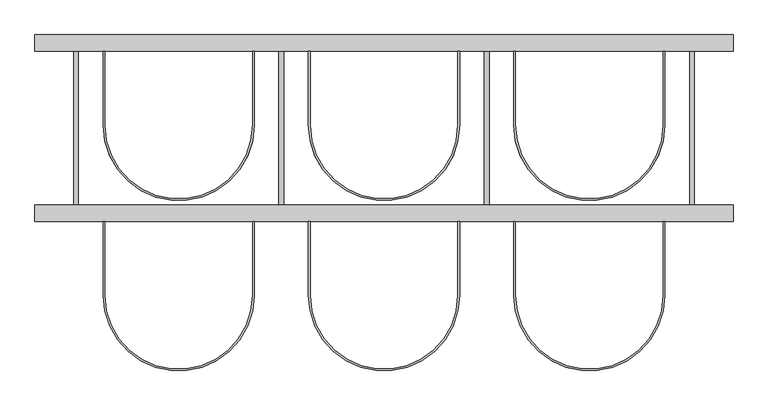
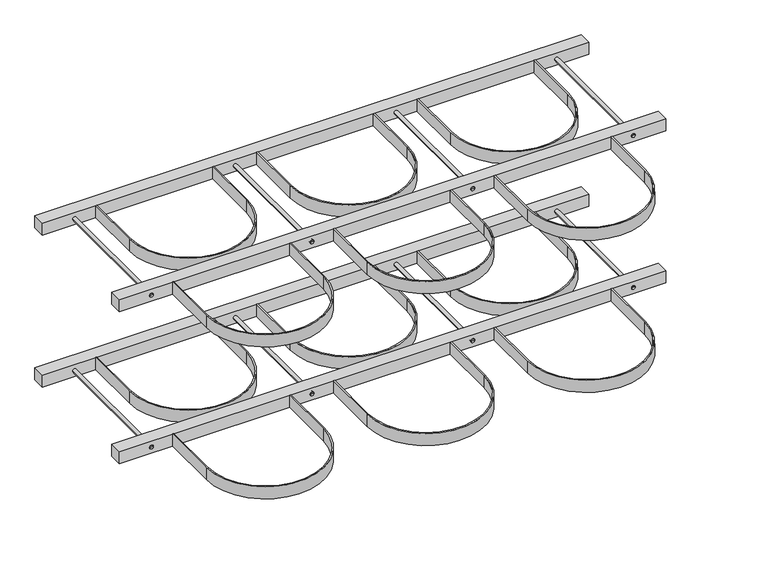
"""IFC4 building model written with IfcOpenShell, lengths in millimetres: proxy geometry."""

from ifc_helpers import new_model, si_unit, point, frame, frame_2d, origin, origin_2d, place, context, project, spatial, polyline, circle_curve, trimmed, segment, composite_curve, outline, extrude, source, transform, mapped, element, save
from ifc_brep_helpers import plane_surface, cylinder_surface, advanced_brep


def specialty_equipment_7dd5eb08(model_context):
    return source(origin(), model_context, "Body", "SolidModel", [
        extrude(outline(composite_curve([segment(polyline([(820.0, -235.0), (820.0, -415.0)]), True, "CONTINUOUS"), segment(trimmed(circle_curve(frame_2d((1000.0, -415.0)), 180.0), [point((820.0, -415.0))], [point((1180.0, -415.0))], True, "CARTESIAN"), True, "CONTINUOUS"), segment(polyline([(1180.0, -415.0), (1180.0, -235.0), (1184.0, -235.0), (1184.0, -415.0)]), True, "CONTINUOUS"), segment(trimmed(circle_curve(frame_2d((1000.0, -415.0)), 184.0), [point((1184.0, -415.0))], [point((816.0, -415.0))], False, "CARTESIAN"), True, "CONTINUOUS"), segment(polyline([(816.0, -415.0), (816.0, -235.0), (820.0, -235.0)]), True, "CONTINUOUS")], self_intersect=False)), frame((0.0, 0.0, 780.0), z_axis=(0.0, 0.0, 1.0), x_axis=(1.0, 0.0, 0.0)), (0.0, 0.0, 1.0), 40.0),
        advanced_brep(
        [(1256.0, -235.0, 800.0), (1244.0, -235.0, 800.0), (1244.0, 180.0, 800.0), (1256.0, 180.0, 800.0), (1250.0, -235.0, 800.0), (1250.0, 180.0, 800.0)],
        [
            (0, 1, circle_curve(frame((1250.0, -235.0, 800.0), z_axis=(0.0, 1.0, 0.0), x_axis=(-1.0, 0.0, 0.0)), 6.0)),
            (1, 2),
            (2, 3, circle_curve(frame((1250.0, 180.0, 800.0), z_axis=(0.0, -1.0, 0.0), x_axis=(-1.0, 0.0, 0.0)), 6.0)),
            (3, 0),
            (1, 0, circle_curve(frame((1250.0, -235.0, 800.0), z_axis=(0.0, 1.0, 0.0), x_axis=(-1.0, 0.0, 0.0)), 6.0)),
            (3, 2, circle_curve(frame((1250.0, 180.0, 800.0), z_axis=(0.0, -1.0, 0.0), x_axis=(-1.0, 0.0, 0.0)), 6.0)),
            (4, 1),
            (0, 4),
            (2, 5),
            (5, 3),
        ],
        [
            cylinder_surface(frame((1250.0, 1704.0, 800.0), z_axis=(0.0, -1.0, 0.0), x_axis=(-1.0, 0.0, 0.0)), 6.0),
            plane_surface(frame((1250.0, -235.0, 800.0), z_axis=(0.0, -1.0, 0.0), x_axis=(-1.0, 0.0, 0.0))),
            plane_surface(frame((1250.0, 180.0, 800.0), z_axis=(0.0, 1.0, 0.0), x_axis=(-1.0, 0.0, 0.0))),
        ],
        [
            (0, [[1, 2, 3, 4]]),
            (0, [[5, -4, 6, -2]]),
            (1, [[7, -1, 8]]),
            (1, [[-8, -5, -7]]),
            (2, [[-3, 9, 10]]),
            (2, [[-6, -10, -9]]),
        ],
    ),
        extrude(outline(composite_curve([segment(polyline([(820.0, 180.0), (820.0, 0.0)]), True, "CONTINUOUS"), segment(trimmed(circle_curve(frame_2d((1000.0, 0.0)), 180.0), [point((820.0, 0.0))], [point((1180.0, 0.0))], True, "CARTESIAN"), True, "CONTINUOUS"), segment(polyline([(1180.0, 0.0), (1180.0, 180.0), (1184.0, 180.0), (1184.0, 0.0)]), True, "CONTINUOUS"), segment(trimmed(circle_curve(frame_2d((1000.0, 0.0)), 184.0), [point((1184.0, 0.0))], [point((816.0, 0.0))], False, "CARTESIAN"), True, "CONTINUOUS"), segment(polyline([(816.0, 0.0), (816.0, 180.0), (820.0, 180.0)]), True, "CONTINUOUS")], self_intersect=False)), frame((0.0, 0.0, 780.0), z_axis=(0.0, 0.0, 1.0), x_axis=(1.0, 0.0, 0.0)), (0.0, 0.0, 1.0), 40.0),
        extrude(outline(composite_curve([segment(polyline([(320.0, -235.0), (320.0, -415.0)]), True, "CONTINUOUS"), segment(trimmed(circle_curve(frame_2d((500.0, -415.0)), 180.0), [point((320.0, -415.0))], [point((680.0, -415.0))], True, "CARTESIAN"), True, "CONTINUOUS"), segment(polyline([(680.0, -415.0), (680.0, -235.0), (684.0, -235.0), (684.0, -415.0)]), True, "CONTINUOUS"), segment(trimmed(circle_curve(frame_2d((500.0, -415.0)), 184.0), [point((684.0, -415.0))], [point((316.0, -415.0))], False, "CARTESIAN"), True, "CONTINUOUS"), segment(polyline([(316.0, -415.0), (316.0, -235.0), (320.0, -235.0)]), True, "CONTINUOUS")], self_intersect=False)), frame((0.0, 0.0, 780.0), z_axis=(0.0, 0.0, 1.0), x_axis=(1.0, 0.0, 0.0)), (0.0, 0.0, 1.0), 40.0),
        advanced_brep(
        [(756.0, -235.0, 800.0), (744.0, -235.0, 800.0), (744.0, 180.0, 800.0), (756.0, 180.0, 800.0), (750.0, -235.0, 800.0), (750.0, 180.0, 800.0)],
        [
            (0, 1, circle_curve(frame((750.0, -235.0, 800.0), z_axis=(0.0, 1.0, 0.0), x_axis=(-1.0, 0.0, 0.0)), 6.0)),
            (1, 2),
            (2, 3, circle_curve(frame((750.0, 180.0, 800.0), z_axis=(0.0, -1.0, 0.0), x_axis=(-1.0, 0.0, 0.0)), 6.0)),
            (3, 0),
            (1, 0, circle_curve(frame((750.0, -235.0, 800.0), z_axis=(0.0, 1.0, 0.0), x_axis=(-1.0, 0.0, 0.0)), 6.0)),
            (3, 2, circle_curve(frame((750.0, 180.0, 800.0), z_axis=(0.0, -1.0, 0.0), x_axis=(-1.0, 0.0, 0.0)), 6.0)),
            (4, 1),
            (0, 4),
            (2, 5),
            (5, 3),
        ],
        [
            cylinder_surface(frame((750.0, 1704.0, 800.0), z_axis=(0.0, -1.0, 0.0), x_axis=(-1.0, 0.0, 0.0)), 6.0),
            plane_surface(frame((750.0, -235.0, 800.0), z_axis=(0.0, -1.0, 0.0), x_axis=(-1.0, 0.0, 0.0))),
            plane_surface(frame((750.0, 180.0, 800.0), z_axis=(0.0, 1.0, 0.0), x_axis=(-1.0, 0.0, 0.0))),
        ],
        [
            (0, [[1, 2, 3, 4]]),
            (0, [[5, -4, 6, -2]]),
            (1, [[7, -1, 8]]),
            (1, [[-8, -5, -7]]),
            (2, [[-3, 9, 10]]),
            (2, [[-6, -10, -9]]),
        ],
    ),
        advanced_brep(
        [(256.0, -235.0, 800.0), (244.0, -235.0, 800.0), (244.0, 180.0, 800.0), (256.0, 180.0, 800.0), (250.0, -235.0, 800.0), (250.0, 180.0, 800.0)],
        [
            (0, 1, circle_curve(frame((250.0, -235.0, 800.0), z_axis=(0.0, 1.0, 0.0), x_axis=(-1.0, 0.0, 0.0)), 6.0)),
            (1, 2),
            (2, 3, circle_curve(frame((250.0, 180.0, 800.0), z_axis=(0.0, -1.0, 0.0), x_axis=(-1.0, 0.0, 0.0)), 6.0)),
            (3, 0),
            (1, 0, circle_curve(frame((250.0, -235.0, 800.0), z_axis=(0.0, 1.0, 0.0), x_axis=(-1.0, 0.0, 0.0)), 6.0)),
            (3, 2, circle_curve(frame((250.0, 180.0, 800.0), z_axis=(0.0, -1.0, 0.0), x_axis=(-1.0, 0.0, 0.0)), 6.0)),
            (4, 1),
            (0, 4),
            (2, 5),
            (5, 3),
        ],
        [
            cylinder_surface(frame((250.0, 1704.0, 800.0), z_axis=(0.0, -1.0, 0.0), x_axis=(-1.0, 0.0, 0.0)), 6.0),
            plane_surface(frame((250.0, -235.0, 800.0), z_axis=(0.0, -1.0, 0.0), x_axis=(-1.0, 0.0, 0.0))),
            plane_surface(frame((250.0, 180.0, 800.0), z_axis=(0.0, 1.0, 0.0), x_axis=(-1.0, 0.0, 0.0))),
        ],
        [
            (0, [[1, 2, 3, 4]]),
            (0, [[5, -4, 6, -2]]),
            (1, [[7, -1, 8]]),
            (1, [[-8, -5, -7]]),
            (2, [[-3, 9, 10]]),
            (2, [[-6, -10, -9]]),
        ],
    ),
        extrude(outline(composite_curve([segment(polyline([(-180.0, -235.0), (-180.0, -415.0)]), True, "CONTINUOUS"), segment(trimmed(circle_curve(frame_2d((0.0, -415.0)), 180.0), [point((-180.0, -415.0))], [point((180.0, -415.0))], True, "CARTESIAN"), True, "CONTINUOUS"), segment(polyline([(180.0, -415.0), (180.0, -235.0), (184.0, -235.0), (184.0, -415.0)]), True, "CONTINUOUS"), segment(trimmed(circle_curve(frame_2d((0.0, -415.0)), 184.0), [point((184.0, -415.0))], [point((-184.0, -415.0))], False, "CARTESIAN"), True, "CONTINUOUS"), segment(polyline([(-184.0, -415.0), (-184.0, -235.0), (-180.0, -235.0)]), True, "CONTINUOUS")], self_intersect=False)), frame((0.0, 0.0, 780.0), z_axis=(0.0, 0.0, 1.0), x_axis=(1.0, 0.0, 0.0)), (0.0, 0.0, 1.0), 40.0),
        advanced_brep(
        [(-244.0, -235.0, 800.0), (-256.0, -235.0, 800.0), (-256.0, 180.0, 800.0), (-244.0, 180.0, 800.0), (-250.0, -235.0, 800.0), (-250.0, 180.0, 800.0)],
        [
            (0, 1, circle_curve(frame((-250.0, -235.0, 800.0), z_axis=(0.0, 1.0, 0.0), x_axis=(-1.0, 0.0, 0.0)), 6.0)),
            (1, 2),
            (2, 3, circle_curve(frame((-250.0, 180.0, 800.0), z_axis=(0.0, -1.0, 0.0), x_axis=(-1.0, 0.0, 0.0)), 6.0)),
            (3, 0),
            (1, 0, circle_curve(frame((-250.0, -235.0, 800.0), z_axis=(0.0, 1.0, 0.0), x_axis=(-1.0, 0.0, 0.0)), 6.0)),
            (3, 2, circle_curve(frame((-250.0, 180.0, 800.0), z_axis=(0.0, -1.0, 0.0), x_axis=(-1.0, 0.0, 0.0)), 6.0)),
            (4, 1),
            (0, 4),
            (2, 5),
            (5, 3),
        ],
        [
            cylinder_surface(frame((-250.0, 1704.0, 800.0), z_axis=(0.0, -1.0, 0.0), x_axis=(-1.0, 0.0, 0.0)), 6.0),
            plane_surface(frame((-250.0, -235.0, 800.0), z_axis=(0.0, -1.0, 0.0), x_axis=(-1.0, 0.0, 0.0))),
            plane_surface(frame((-250.0, 180.0, 800.0), z_axis=(0.0, 1.0, 0.0), x_axis=(-1.0, 0.0, 0.0))),
        ],
        [
            (0, [[1, 2, 3, 4]]),
            (0, [[5, -4, 6, -2]]),
            (1, [[7, -1, 8]]),
            (1, [[-8, -5, -7]]),
            (2, [[-3, 9, 10]]),
            (2, [[-6, -10, -9]]),
        ],
    ),
        extrude(outline(composite_curve([segment(polyline([(320.0, 180.0), (320.0, 0.0)]), True, "CONTINUOUS"), segment(trimmed(circle_curve(frame_2d((500.0, 0.0)), 180.0), [point((320.0, 0.0))], [point((680.0, 0.0))], True, "CARTESIAN"), True, "CONTINUOUS"), segment(polyline([(680.0, 0.0), (680.0, 180.0), (684.0, 180.0), (684.0, 0.0)]), True, "CONTINUOUS"), segment(trimmed(circle_curve(frame_2d((500.0, 0.0)), 184.0), [point((684.0, 0.0))], [point((316.0, 0.0))], False, "CARTESIAN"), True, "CONTINUOUS"), segment(polyline([(316.0, 0.0), (316.0, 180.0), (320.0, 180.0)]), True, "CONTINUOUS")], self_intersect=False)), frame((0.0, 0.0, 780.0), z_axis=(0.0, 0.0, 1.0), x_axis=(1.0, 0.0, 0.0)), (0.0, 0.0, 1.0), 40.0),
        extrude(outline(composite_curve([segment(polyline([(-180.0, 180.0), (-180.0, 0.0)]), True, "CONTINUOUS"), segment(trimmed(circle_curve(origin_2d(), 180.0), [point((-180.0, 0.0))], [point((180.0, 0.0))], True, "CARTESIAN"), True, "CONTINUOUS"), segment(polyline([(180.0, 0.0), (180.0, 180.0), (184.0, 180.0), (184.0, 0.0)]), True, "CONTINUOUS"), segment(trimmed(circle_curve(origin_2d(), 184.0), [point((184.0, 0.0))], [point((-184.0, 0.0))], False, "CARTESIAN"), True, "CONTINUOUS"), segment(polyline([(-184.0, 0.0), (-184.0, 180.0), (-180.0, 180.0)]), True, "CONTINUOUS")], self_intersect=False)), frame((0.0, 0.0, 780.0), z_axis=(0.0, 0.0, 1.0), x_axis=(1.0, 0.0, 0.0)), (0.0, 0.0, 1.0), 40.0),
        extrude(outline(polyline([(1350.0, -235.0), (-350.0, -235.0), (-350.0, -195.0), (1350.0, -195.0), (1350.0, -235.0)])), frame((0.0, 0.0, 780.0), z_axis=(0.0, 0.0, 1.0), x_axis=(1.0, 0.0, 0.0)), (0.0, 0.0, 1.0), 40.0),
        extrude(outline(polyline([(1350.0, 180.0), (-350.0, 180.0), (-350.0, 220.0), (1350.0, 220.0), (1350.0, 180.0)])), frame((0.0, 0.0, 780.0), z_axis=(0.0, 0.0, 1.0), x_axis=(1.0, 0.0, 0.0)), (0.0, 0.0, 1.0), 40.0),
        extrude(outline(composite_curve([segment(polyline([(820.0, -235.0), (820.0, -415.0)]), True, "CONTINUOUS"), segment(trimmed(circle_curve(frame_2d((1000.0, -415.0)), 180.0), [point((820.0, -415.0))], [point((1180.0, -415.0))], True, "CARTESIAN"), True, "CONTINUOUS"), segment(polyline([(1180.0, -415.0), (1180.0, -235.0), (1184.0, -235.0), (1184.0, -415.0)]), True, "CONTINUOUS"), segment(trimmed(circle_curve(frame_2d((1000.0, -415.0)), 184.0), [point((1184.0, -415.0))], [point((816.0, -415.0))], False, "CARTESIAN"), True, "CONTINUOUS"), segment(polyline([(816.0, -415.0), (816.0, -235.0), (820.0, -235.0)]), True, "CONTINUOUS")], self_intersect=False)), frame((0.0, 0.0, 280.0), z_axis=(0.0, 0.0, 1.0), x_axis=(1.0, 0.0, 0.0)), (0.0, 0.0, 1.0), 40.0),
        advanced_brep(
        [(1256.0, -235.0, 300.0), (1244.0, -235.0, 300.0), (1244.0, 180.0, 300.0), (1256.0, 180.0, 300.0), (1250.0, -235.0, 300.0), (1250.0, 180.0, 300.0)],
        [
            (0, 1, circle_curve(frame((1250.0, -235.0, 300.0), z_axis=(0.0, 1.0, 0.0), x_axis=(-1.0, 0.0, 0.0)), 6.0)),
            (1, 2),
            (2, 3, circle_curve(frame((1250.0, 180.0, 300.0), z_axis=(0.0, -1.0, 0.0), x_axis=(-1.0, 0.0, 0.0)), 6.0)),
            (3, 0),
            (1, 0, circle_curve(frame((1250.0, -235.0, 300.0), z_axis=(0.0, 1.0, 0.0), x_axis=(-1.0, 0.0, 0.0)), 6.0)),
            (3, 2, circle_curve(frame((1250.0, 180.0, 300.0), z_axis=(0.0, -1.0, 0.0), x_axis=(-1.0, 0.0, 0.0)), 6.0)),
            (4, 1),
            (0, 4),
            (2, 5),
            (5, 3),
        ],
        [
            cylinder_surface(frame((1250.0, 1704.0, 300.0), z_axis=(0.0, -1.0, 0.0), x_axis=(-1.0, 0.0, 0.0)), 6.0),
            plane_surface(frame((1250.0, -235.0, 300.0), z_axis=(0.0, -1.0, 0.0), x_axis=(-1.0, 0.0, 0.0))),
            plane_surface(frame((1250.0, 180.0, 300.0), z_axis=(0.0, 1.0, 0.0), x_axis=(-1.0, 0.0, 0.0))),
        ],
        [
            (0, [[1, 2, 3, 4]]),
            (0, [[5, -4, 6, -2]]),
            (1, [[7, -1, 8]]),
            (1, [[-8, -5, -7]]),
            (2, [[-3, 9, 10]]),
            (2, [[-6, -10, -9]]),
        ],
    ),
        extrude(outline(composite_curve([segment(polyline([(820.0, 180.0), (820.0, 0.0)]), True, "CONTINUOUS"), segment(trimmed(circle_curve(frame_2d((1000.0, 0.0)), 180.0), [point((820.0, 0.0))], [point((1180.0, 0.0))], True, "CARTESIAN"), True, "CONTINUOUS"), segment(polyline([(1180.0, 0.0), (1180.0, 180.0), (1184.0, 180.0), (1184.0, 0.0)]), True, "CONTINUOUS"), segment(trimmed(circle_curve(frame_2d((1000.0, 0.0)), 184.0), [point((1184.0, 0.0))], [point((816.0, 0.0))], False, "CARTESIAN"), True, "CONTINUOUS"), segment(polyline([(816.0, 0.0), (816.0, 180.0), (820.0, 180.0)]), True, "CONTINUOUS")], self_intersect=False)), frame((0.0, 0.0, 280.0), z_axis=(0.0, 0.0, 1.0), x_axis=(1.0, 0.0, 0.0)), (0.0, 0.0, 1.0), 40.0),
        extrude(outline(composite_curve([segment(polyline([(320.0, -235.0), (320.0, -415.0)]), True, "CONTINUOUS"), segment(trimmed(circle_curve(frame_2d((500.0, -415.0)), 180.0), [point((320.0, -415.0))], [point((680.0, -415.0))], True, "CARTESIAN"), True, "CONTINUOUS"), segment(polyline([(680.0, -415.0), (680.0, -235.0), (684.0, -235.0), (684.0, -415.0)]), True, "CONTINUOUS"), segment(trimmed(circle_curve(frame_2d((500.0, -415.0)), 184.0), [point((684.0, -415.0))], [point((316.0, -415.0))], False, "CARTESIAN"), True, "CONTINUOUS"), segment(polyline([(316.0, -415.0), (316.0, -235.0), (320.0, -235.0)]), True, "CONTINUOUS")], self_intersect=False)), frame((0.0, 0.0, 280.0), z_axis=(0.0, 0.0, 1.0), x_axis=(1.0, 0.0, 0.0)), (0.0, 0.0, 1.0), 40.0),
        advanced_brep(
        [(756.0, -235.0, 300.0), (744.0, -235.0, 300.0), (744.0, 180.0, 300.0), (756.0, 180.0, 300.0), (750.0, -235.0, 300.0), (750.0, 180.0, 300.0)],
        [
            (0, 1, circle_curve(frame((750.0, -235.0, 300.0), z_axis=(0.0, 1.0, 0.0), x_axis=(-1.0, 0.0, 0.0)), 6.0)),
            (1, 2),
            (2, 3, circle_curve(frame((750.0, 180.0, 300.0), z_axis=(0.0, -1.0, 0.0), x_axis=(-1.0, 0.0, 0.0)), 6.0)),
            (3, 0),
            (1, 0, circle_curve(frame((750.0, -235.0, 300.0), z_axis=(0.0, 1.0, 0.0), x_axis=(-1.0, 0.0, 0.0)), 6.0)),
            (3, 2, circle_curve(frame((750.0, 180.0, 300.0), z_axis=(0.0, -1.0, 0.0), x_axis=(-1.0, 0.0, 0.0)), 6.0)),
            (4, 1),
            (0, 4),
            (2, 5),
            (5, 3),
        ],
        [
            cylinder_surface(frame((750.0, 1704.0, 300.0), z_axis=(0.0, -1.0, 0.0), x_axis=(-1.0, 0.0, 0.0)), 6.0),
            plane_surface(frame((750.0, -235.0, 300.0), z_axis=(0.0, -1.0, 0.0), x_axis=(-1.0, 0.0, 0.0))),
            plane_surface(frame((750.0, 180.0, 300.0), z_axis=(0.0, 1.0, 0.0), x_axis=(-1.0, 0.0, 0.0))),
        ],
        [
            (0, [[1, 2, 3, 4]]),
            (0, [[5, -4, 6, -2]]),
            (1, [[7, -1, 8]]),
            (1, [[-8, -5, -7]]),
            (2, [[-3, 9, 10]]),
            (2, [[-6, -10, -9]]),
        ],
    ),
        advanced_brep(
        [(256.0, -235.0, 300.0), (244.0, -235.0, 300.0), (244.0, 180.0, 300.0), (256.0, 180.0, 300.0), (250.0, -235.0, 300.0), (250.0, 180.0, 300.0)],
        [
            (0, 1, circle_curve(frame((250.0, -235.0, 300.0), z_axis=(0.0, 1.0, 0.0), x_axis=(-1.0, 0.0, 0.0)), 6.0)),
            (1, 2),
            (2, 3, circle_curve(frame((250.0, 180.0, 300.0), z_axis=(0.0, -1.0, 0.0), x_axis=(-1.0, 0.0, 0.0)), 6.0)),
            (3, 0),
            (1, 0, circle_curve(frame((250.0, -235.0, 300.0), z_axis=(0.0, 1.0, 0.0), x_axis=(-1.0, 0.0, 0.0)), 6.0)),
            (3, 2, circle_curve(frame((250.0, 180.0, 300.0), z_axis=(0.0, -1.0, 0.0), x_axis=(-1.0, 0.0, 0.0)), 6.0)),
            (4, 1),
            (0, 4),
            (2, 5),
            (5, 3),
        ],
        [
            cylinder_surface(frame((250.0, 1704.0, 300.0), z_axis=(0.0, -1.0, 0.0), x_axis=(-1.0, 0.0, 0.0)), 6.0),
            plane_surface(frame((250.0, -235.0, 300.0), z_axis=(0.0, -1.0, 0.0), x_axis=(-1.0, 0.0, 0.0))),
            plane_surface(frame((250.0, 180.0, 300.0), z_axis=(0.0, 1.0, 0.0), x_axis=(-1.0, 0.0, 0.0))),
        ],
        [
            (0, [[1, 2, 3, 4]]),
            (0, [[5, -4, 6, -2]]),
            (1, [[7, -1, 8]]),
            (1, [[-8, -5, -7]]),
            (2, [[-3, 9, 10]]),
            (2, [[-6, -10, -9]]),
        ],
    ),
        extrude(outline(composite_curve([segment(polyline([(-180.0, -235.0), (-180.0, -415.0)]), True, "CONTINUOUS"), segment(trimmed(circle_curve(frame_2d((0.0, -415.0)), 180.0), [point((-180.0, -415.0))], [point((180.0, -415.0))], True, "CARTESIAN"), True, "CONTINUOUS"), segment(polyline([(180.0, -415.0), (180.0, -235.0), (184.0, -235.0), (184.0, -415.0)]), True, "CONTINUOUS"), segment(trimmed(circle_curve(frame_2d((0.0, -415.0)), 184.0), [point((184.0, -415.0))], [point((-184.0, -415.0))], False, "CARTESIAN"), True, "CONTINUOUS"), segment(polyline([(-184.0, -415.0), (-184.0, -235.0), (-180.0, -235.0)]), True, "CONTINUOUS")], self_intersect=False)), frame((0.0, 0.0, 280.0), z_axis=(0.0, 0.0, 1.0), x_axis=(1.0, 0.0, 0.0)), (0.0, 0.0, 1.0), 40.0),
        advanced_brep(
        [(-244.0, -235.0, 300.0), (-256.0, -235.0, 300.0), (-256.0, 180.0, 300.0), (-244.0, 180.0, 300.0), (-250.0, -235.0, 300.0), (-250.0, 180.0, 300.0)],
        [
            (0, 1, circle_curve(frame((-250.0, -235.0, 300.0), z_axis=(0.0, 1.0, 0.0), x_axis=(-1.0, 0.0, 0.0)), 6.0)),
            (1, 2),
            (2, 3, circle_curve(frame((-250.0, 180.0, 300.0), z_axis=(0.0, -1.0, 0.0), x_axis=(-1.0, 0.0, 0.0)), 6.0)),
            (3, 0),
            (1, 0, circle_curve(frame((-250.0, -235.0, 300.0), z_axis=(0.0, 1.0, 0.0), x_axis=(-1.0, 0.0, 0.0)), 6.0)),
            (3, 2, circle_curve(frame((-250.0, 180.0, 300.0), z_axis=(0.0, -1.0, 0.0), x_axis=(-1.0, 0.0, 0.0)), 6.0)),
            (4, 1),
            (0, 4),
            (2, 5),
            (5, 3),
        ],
        [
            cylinder_surface(frame((-250.0, 1704.0, 300.0), z_axis=(0.0, -1.0, 0.0), x_axis=(-1.0, 0.0, 0.0)), 6.0),
            plane_surface(frame((-250.0, -235.0, 300.0), z_axis=(0.0, -1.0, 0.0), x_axis=(-1.0, 0.0, 0.0))),
            plane_surface(frame((-250.0, 180.0, 300.0), z_axis=(0.0, 1.0, 0.0), x_axis=(-1.0, 0.0, 0.0))),
        ],
        [
            (0, [[1, 2, 3, 4]]),
            (0, [[5, -4, 6, -2]]),
            (1, [[7, -1, 8]]),
            (1, [[-8, -5, -7]]),
            (2, [[-3, 9, 10]]),
            (2, [[-6, -10, -9]]),
        ],
    ),
        extrude(outline(composite_curve([segment(polyline([(320.0, 180.0), (320.0, 0.0)]), True, "CONTINUOUS"), segment(trimmed(circle_curve(frame_2d((500.0, 0.0)), 180.0), [point((320.0, 0.0))], [point((680.0, 0.0))], True, "CARTESIAN"), True, "CONTINUOUS"), segment(polyline([(680.0, 0.0), (680.0, 180.0), (684.0, 180.0), (684.0, 0.0)]), True, "CONTINUOUS"), segment(trimmed(circle_curve(frame_2d((500.0, 0.0)), 184.0), [point((684.0, 0.0))], [point((316.0, 0.0))], False, "CARTESIAN"), True, "CONTINUOUS"), segment(polyline([(316.0, 0.0), (316.0, 180.0), (320.0, 180.0)]), True, "CONTINUOUS")], self_intersect=False)), frame((0.0, 0.0, 280.0), z_axis=(0.0, 0.0, 1.0), x_axis=(1.0, 0.0, 0.0)), (0.0, 0.0, 1.0), 40.0),
        extrude(outline(composite_curve([segment(polyline([(-180.0, 180.0), (-180.0, 0.0)]), True, "CONTINUOUS"), segment(trimmed(circle_curve(origin_2d(), 180.0), [point((-180.0, 0.0))], [point((180.0, 0.0))], True, "CARTESIAN"), True, "CONTINUOUS"), segment(polyline([(180.0, 0.0), (180.0, 180.0), (184.0, 180.0), (184.0, 0.0)]), True, "CONTINUOUS"), segment(trimmed(circle_curve(origin_2d(), 184.0), [point((184.0, 0.0))], [point((-184.0, 0.0))], False, "CARTESIAN"), True, "CONTINUOUS"), segment(polyline([(-184.0, 0.0), (-184.0, 180.0), (-180.0, 180.0)]), True, "CONTINUOUS")], self_intersect=False)), frame((0.0, 0.0, 280.0), z_axis=(0.0, 0.0, 1.0), x_axis=(1.0, 0.0, 0.0)), (0.0, 0.0, 1.0), 40.0),
        extrude(outline(polyline([(1350.0, -235.0), (-350.0, -235.0), (-350.0, -195.0), (1350.0, -195.0), (1350.0, -235.0)])), frame((0.0, 0.0, 280.0), z_axis=(0.0, 0.0, 1.0), x_axis=(1.0, 0.0, 0.0)), (0.0, 0.0, 1.0), 40.0),
        extrude(outline(polyline([(1350.0, 180.0), (-350.0, 180.0), (-350.0, 220.0), (1350.0, 220.0), (1350.0, 180.0)])), frame((0.0, 0.0, 280.0), z_axis=(0.0, 0.0, 1.0), x_axis=(1.0, 0.0, 0.0)), (0.0, 0.0, 1.0), 40.0),
    ])


if __name__ == "__main__":
    model = new_model("IFC4")
    model_context = context("Model", 3, world=origin())
    ifc_project = project(units=[si_unit("LENGTHUNIT", "METRE", prefix="MILLI")], contexts=[model_context])
    site = spatial("IfcSite", under=ifc_project)
    building = spatial("IfcBuilding", under=site)
    placement = place(None, origin())
    specialty_equipment_shape = specialty_equipment_7dd5eb08(model_context)
    element("IfcBuildingElementProxy", 1, Name="Specialty Equipment", at=placement, inside=building, context=model_context, shape_type="MappedRepresentation", body=[
        mapped(specialty_equipment_shape, transform((0.0, 0.0, 0.0), x_axis=(1.0, 0.0, 0.0), y_axis=(0.0, 1.0, 0.0), z_axis=(0.0, 0.0, 1.0))),
    ])
    save(model, "model.ifc")
